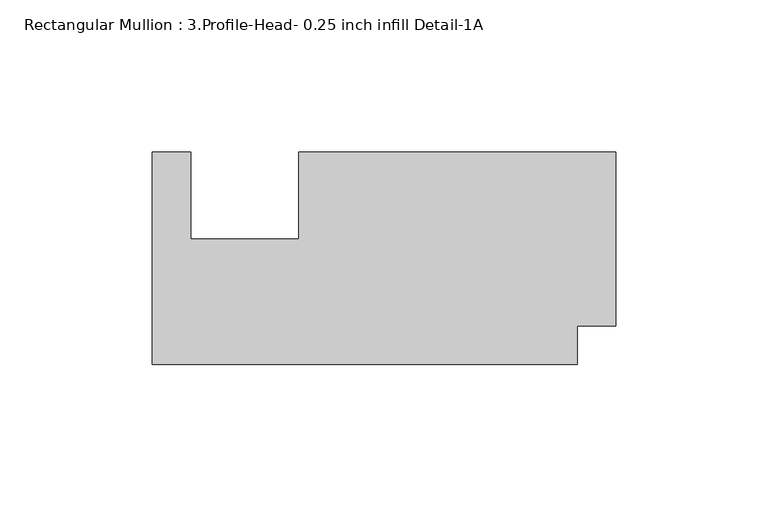
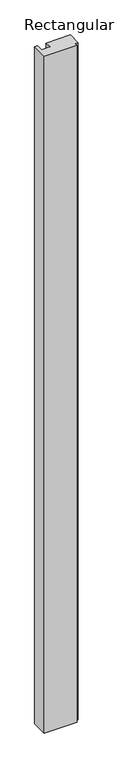
"""IFC4 building model written with IfcOpenShell, lengths in millimetres: member geometry, Rectangular Mullion : 3.Profile-Head- 0.25 inch infill Detail-1A."""

from ifc_helpers import new_model, si_unit, frame, origin, place, context, project, spatial, polyline, outline, extrude, source, transform, mapped, element, save


def rectangular_mullion_3_profile_head_0_25_inch_infill_detail_e525eb3a(model_context):
    return source(origin(), model_context, "Body", "SweptSolid", [
        extrude(outline(polyline([(-152.4, 0.0), (-152.4, 69.85), (-139.7, 69.85), (-139.7, 41.2496), (-104.2416, 41.2496), (-104.2416, 69.85), (0.0, 69.85), (0.0, 12.7), (-12.7635, 12.7), (-12.7635, 0.0), (-152.4, 0.0)])), frame((0.0, 0.0, -3048.0), z_axis=(0.0, 0.0, 1.0), x_axis=(1.0, 0.0, 0.0)), (0.0, 0.0, 1.0), 3048.0),
    ])


if __name__ == "__main__":
    model = new_model("IFC4")
    model_context = context("Model", 3, world=origin())
    ifc_project = project(units=[si_unit("LENGTHUNIT", "METRE", prefix="MILLI")], contexts=[model_context])
    site = spatial("IfcSite", under=ifc_project)
    building = spatial("IfcBuilding", under=site)
    placement = place(None, origin())
    rectangular_mullion_3_profile_head_0_25_inch_infill_detail_shape = rectangular_mullion_3_profile_head_0_25_inch_infill_detail_e525eb3a(model_context)
    element("IfcMember", 1, ObjectType="Rectangular Mullion : 3.Profile-Head- 0.25 inch infill Detail-1A", at=placement, inside=building, context=model_context, shape_type="MappedRepresentation", body=[
        mapped(rectangular_mullion_3_profile_head_0_25_inch_infill_detail_shape, transform((0.0, 0.0, 0.0), x_axis=(1.0, 0.0, 0.0), y_axis=(0.0, 1.0, 0.0), z_axis=(0.0, 0.0, 1.0))),
    ])
    save(model, "model.ifc")
